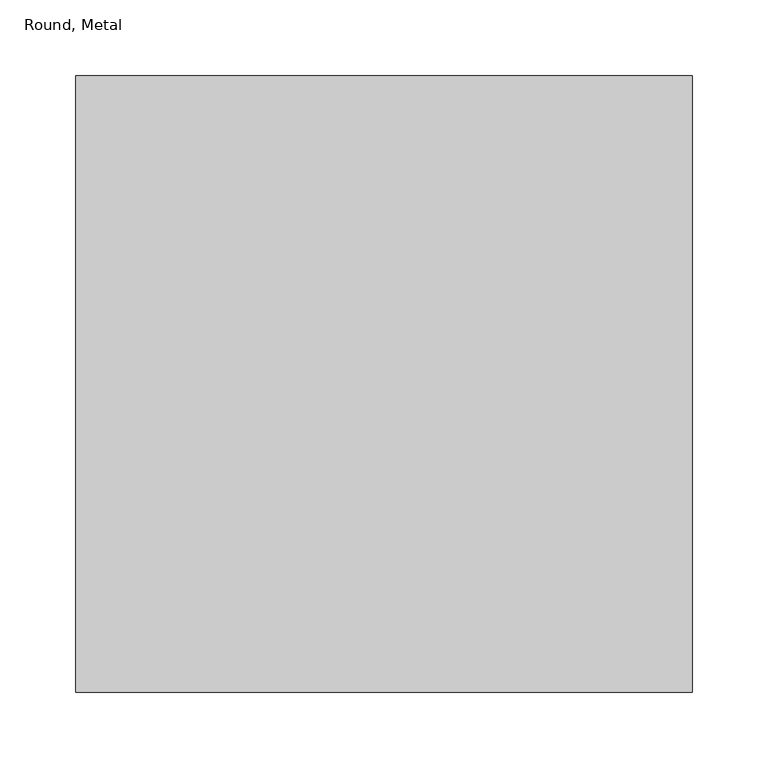
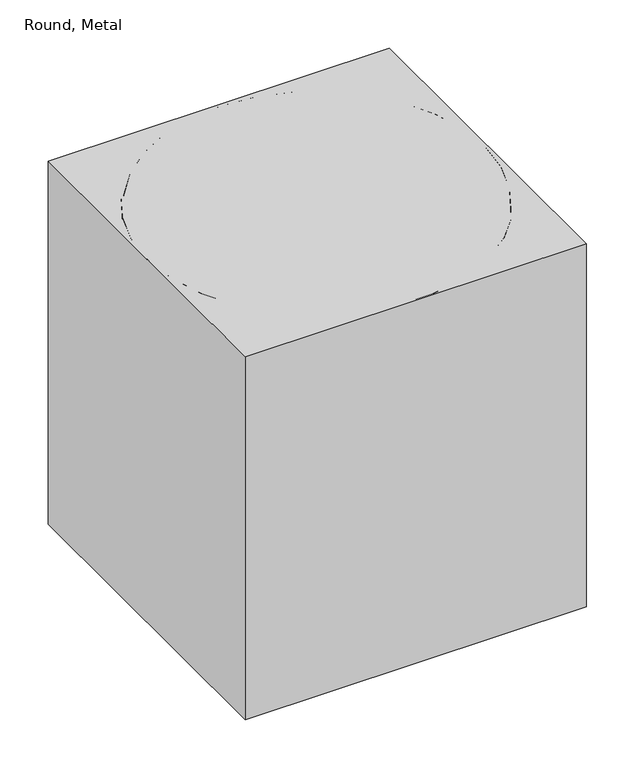
"""IFC4 building model written with IfcOpenShell, lengths in millimetres: proxy geometry, Round, Metal."""

from ifc_helpers import new_model, si_unit, point, frame, origin, origin_with_axes, origin_2d, place, context, project, spatial, polyline, circle_curve, trimmed, segment, composite_curve, outline, extrude, source, transform, mapped, element, save


def round_metal_5d4f5fea(model_context):
    return source(origin(), model_context, "Body", "SweptSolid", [
        extrude(outline(polyline([(203.2, 203.2), (203.2, -203.2), (-203.2, -203.2), (-203.2, 203.2), (203.2, 203.2)])), origin_with_axes(), (0.0, 0.0, 1.0), 457.2),
        extrude(outline(composite_curve([segment(trimmed(circle_curve(origin_2d(), 203.2), [point((-203.2, 0.0))], [point((203.2, 0.0))], False, "CARTESIAN"), True, "CONTINUOUS"), segment(trimmed(circle_curve(origin_2d(), 203.2), [point((203.2, 0.0))], [point((-203.2, 0.0))], False, "CARTESIAN"), True, "CONTINUOUS")], self_intersect=False)), origin_with_axes(), (0.0, 0.0, 1.0), 3.175),
        extrude(outline(composite_curve([segment(trimmed(circle_curve(origin_2d(), 203.2), [point((-203.2, 0.0))], [point((203.2, 0.0))], False, "CARTESIAN"), True, "CONTINUOUS"), segment(trimmed(circle_curve(origin_2d(), 203.2), [point((203.2, 0.0))], [point((-203.2, 0.0))], False, "CARTESIAN"), True, "CONTINUOUS")], self_intersect=False), holes=[composite_curve([segment(trimmed(circle_curve(origin_2d(), 200.025), [point((-200.025, 0.0))], [point((200.025, 0.0))], True, "CARTESIAN"), True, "CONTINUOUS"), segment(trimmed(circle_curve(origin_2d(), 200.025), [point((200.025, 0.0))], [point((-200.025, 0.0))], True, "CARTESIAN"), True, "CONTINUOUS")], self_intersect=False)]), frame((0.0, 0.0, 3.175), z_axis=(0.0, 0.0, 1.0), x_axis=(1.0, 0.0, 0.0)), (0.0, 0.0, 1.0), 454.025),
    ])


if __name__ == "__main__":
    model = new_model("IFC4")
    model_context = context("Model", 3, world=origin())
    ifc_project = project(units=[si_unit("LENGTHUNIT", "METRE", prefix="MILLI")], contexts=[model_context])
    site = spatial("IfcSite", under=ifc_project)
    building = spatial("IfcBuilding", under=site)
    placement = place(None, origin())
    round_metal_shape = round_metal_5d4f5fea(model_context)
    element("IfcBuildingElementProxy", 1, Name="Round, Metal", ObjectType="Round, Metal", at=placement, inside=building, context=model_context, shape_type="MappedRepresentation", body=[
        mapped(round_metal_shape, transform((0.0, 0.0, 0.0), x_axis=(1.0, 0.0, 0.0), y_axis=(0.0, 1.0, 0.0), z_axis=(0.0, 0.0, 1.0))),
    ])
    save(model, "model.ifc")
